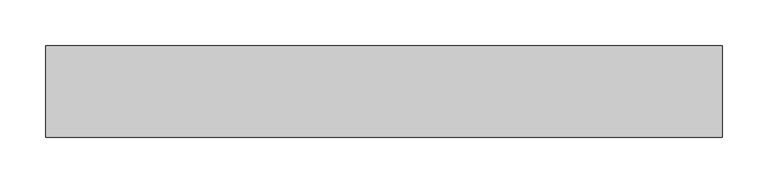
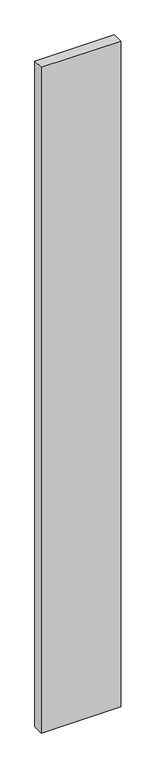
"""IFC4 building model written with IfcOpenShell, lengths in millimetres: proxy geometry."""

from ifc_helpers import new_model, si_unit, frame, origin, place, context, project, spatial, polyline, outline, extrude, source, transform, mapped, element, save


def generic_models_941e373f(model_context):
    return source(origin(), model_context, "Body", "SweptSolid", [
        extrude(outline(polyline([(740.0, 100.0), (740.0, 0.0), (0.0, 0.0), (0.0, 100.0), (740.0, 100.0)])), frame((0.0, 0.0, -6550.0), z_axis=(0.0, 0.0, 1.0), x_axis=(1.0, 0.0, 0.0)), (0.0, 0.0, 1.0), 6550.0),
    ])


if __name__ == "__main__":
    model = new_model("IFC4")
    model_context = context("Model", 3, world=origin())
    ifc_project = project(units=[si_unit("LENGTHUNIT", "METRE", prefix="MILLI")], contexts=[model_context])
    site = spatial("IfcSite", under=ifc_project)
    building = spatial("IfcBuilding", under=site)
    placement = place(None, origin())
    generic_models_shape = generic_models_941e373f(model_context)
    element("IfcBuildingElementProxy", 1, Name="Generic Models", at=placement, inside=building, context=model_context, shape_type="MappedRepresentation", body=[
        mapped(generic_models_shape, transform((0.0, 0.0, 0.0), x_axis=(1.0, 0.0, 0.0), y_axis=(0.0, 1.0, 0.0), z_axis=(0.0, 0.0, 1.0))),
    ])
    save(model, "model.ifc")
